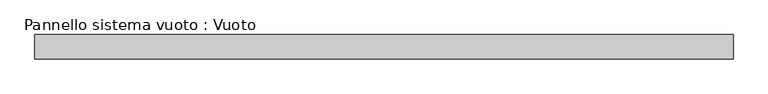
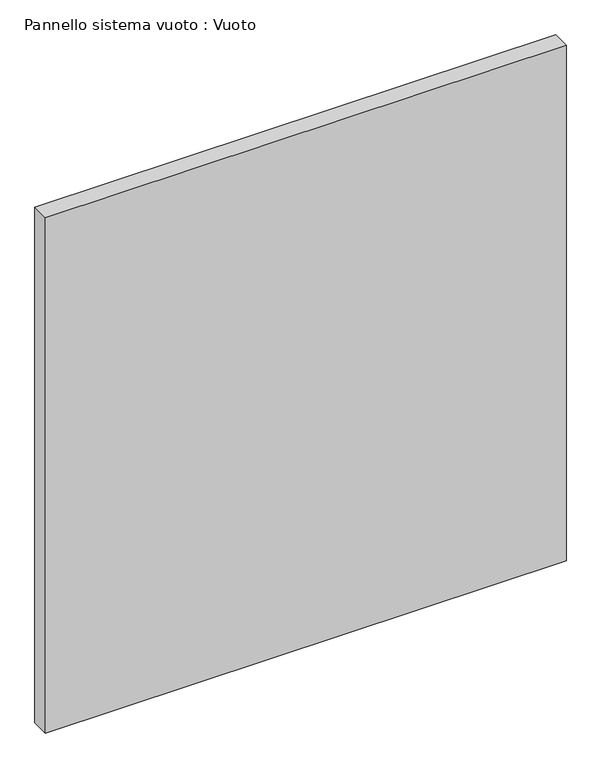
"""IFC4 building model written with IfcOpenShell, lengths in millimetres: plate geometry, Pannello sistema vuoto : Vuoto."""

from ifc_helpers import new_model, si_unit, origin, origin_with_axes, place, context, project, spatial, polyline, outline, extrude, source, transform, mapped, element, save


def pannello_sistema_vuoto_vuoto_7e0e265f(model_context):
    return source(origin(), model_context, "Body", "SweptSolid", [
        extrude(outline(polyline([(1440.0, 50.0), (-1440.0, 50.0), (-1440.0, 150.0), (1440.0, 150.0), (1440.0, 50.0)])), origin_with_axes(), (0.0, 0.0, 1.0), 3013.9182091),
    ])


if __name__ == "__main__":
    model = new_model("IFC4")
    model_context = context("Model", 3, world=origin())
    ifc_project = project(units=[si_unit("LENGTHUNIT", "METRE", prefix="MILLI")], contexts=[model_context])
    site = spatial("IfcSite", under=ifc_project)
    building = spatial("IfcBuilding", under=site)
    placement = place(None, origin())
    pannello_sistema_vuoto_vuoto_shape = pannello_sistema_vuoto_vuoto_7e0e265f(model_context)
    element("IfcPlate", 1, ObjectType="Pannello sistema vuoto : Vuoto", at=placement, inside=building, context=model_context, shape_type="MappedRepresentation", body=[
        mapped(pannello_sistema_vuoto_vuoto_shape, transform((0.0, 0.0, 0.0), x_axis=(1.0, 0.0, 0.0), y_axis=(0.0, 1.0, 0.0), z_axis=(0.0, 0.0, 1.0))),
    ])
    save(model, "model.ifc")
